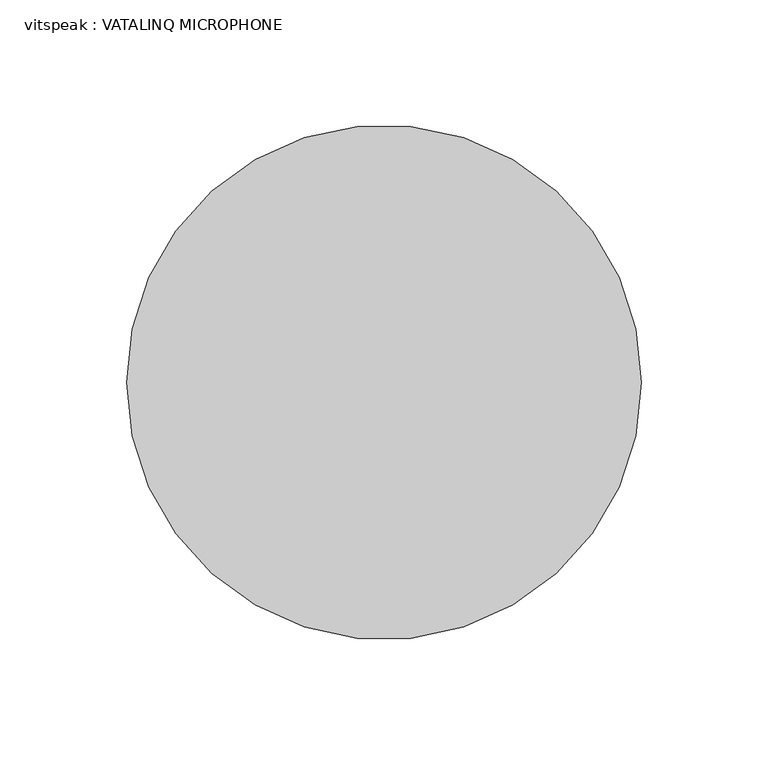
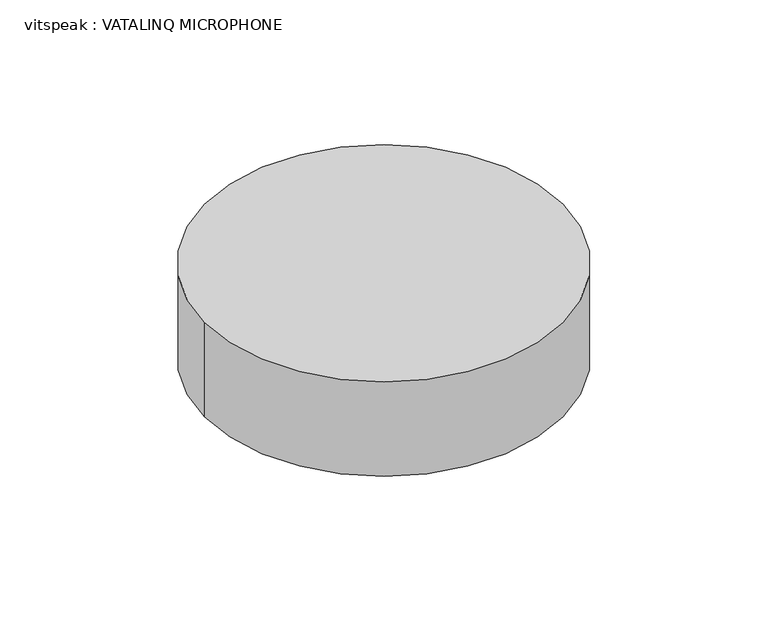
"""IFC4 building model written with IfcOpenShell, lengths in millimetres: proxy geometry, vitspeak : VATALINQ MICROPHONE."""

from ifc_helpers import new_model, si_unit, point, frame, frame_2d, origin, place, context, project, spatial, circle_curve, trimmed, segment, composite_curve, outline, extrude, source, transform, mapped, element, save


def vitspeak_vatalinq_microphone_c31d93b0(model_context):
    return source(origin(), model_context, "Body", "SweptSolid", [
        extrude(outline(composite_curve([segment(trimmed(circle_curve(frame_2d((186.6920393, -316.3087595)), 101.6), [point((85.0920393, -316.3087595))], [point((288.2920393, -316.3087595))], False, "CARTESIAN"), True, "CONTINUOUS"), segment(trimmed(circle_curve(frame_2d((186.6920393, -316.3087595)), 101.6), [point((288.2920393, -316.3087595))], [point((85.0920393, -316.3087595))], False, "CARTESIAN"), True, "CONTINUOUS")], self_intersect=False)), frame((0.0, 0.0, 3048.0), z_axis=(0.0, 0.0, 1.0), x_axis=(1.0, 0.0, 0.0)), (0.0, 0.0, 1.0), 56.6426964),
    ])


if __name__ == "__main__":
    model = new_model("IFC4")
    model_context = context("Model", 3, world=origin())
    ifc_project = project(units=[si_unit("LENGTHUNIT", "METRE", prefix="MILLI")], contexts=[model_context])
    site = spatial("IfcSite", under=ifc_project)
    building = spatial("IfcBuilding", under=site)
    placement = place(None, origin())
    vitspeak_vatalinq_microphone_shape = vitspeak_vatalinq_microphone_c31d93b0(model_context)
    element("IfcBuildingElementProxy", 1, Name="vitspeak : VATALINQ MICROPHONE", ObjectType="vitspeak : VATALINQ MICROPHONE", at=placement, inside=building, context=model_context, shape_type="MappedRepresentation", body=[
        mapped(vitspeak_vatalinq_microphone_shape, transform((0.0, 0.0, 0.0), x_axis=(1.0, 0.0, 0.0), y_axis=(0.0, 1.0, 0.0), z_axis=(0.0, 0.0, 1.0))),
    ])
    save(model, "model.ifc")
